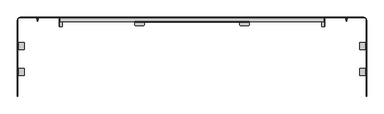
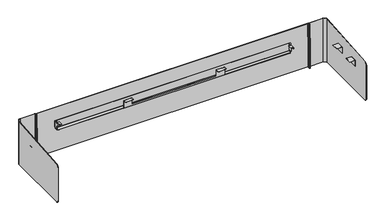
"""IFC4 building model written with IfcOpenShell, lengths in millimetres: furniture geometry."""

from ifc_helpers import new_model, si_unit, point, frame, frame_2d, origin, place, context, project, spatial, polyline, circle_curve, trimmed, segment, composite_curve, outline, extrude, faceted_brep, source, transform, mapped, element, save
from ifc_brep_helpers import plane_surface, cylinder_surface, revolved_surface, advanced_brep


def furniture_8af9d449(model_context):
    return source(origin(), model_context, "Body", "SolidModel", [
        extrude(outline(polyline([(884.8127796, 2128.2801168), (883.3141796, 2128.2801168), (883.3141796, 2145.2641264), (882.2981796, 2146.2801264), (882.2981796, 2147.7791628), (884.8127796, 2145.264599), (884.8127796, 2128.2801168)])), frame((0.0, -38.1141252, 0.0), z_axis=(0.0, 1.0, 0.0), x_axis=(0.0, 0.0, 1.0)), (0.0, 0.0, 1.0), 30.9756022),
        extrude(outline(polyline([(884.8127796, 306.9567361), (884.8127796, 289.9722902), (882.2981796, 287.4577264), (882.2981796, 288.9567265), (883.3141796, 289.9727265), (883.3141796, 306.9567361), (884.8127796, 306.9567361)])), frame((0.0, -38.1141252, 0.0), z_axis=(0.0, 1.0, 0.0), x_axis=(0.0, 0.0, 1.0)), (0.0, 0.0, 1.0), 30.9756022),
        extrude(outline(polyline([(-2.2831232, 882.2981796), (-0.2831232, 884.2982029), (-0.2831232, 892.2982233), (1.7168767, 894.2981739), (8.5668769, 894.2981739), (10.5668764, 892.2982233), (10.5668764, 884.2982029), (12.5668769, 882.2981796), (-2.2831232, 882.2981796)])), frame((2146.2805264, 0.0, 0.0), z_axis=(1.0, 0.0, 0.0), x_axis=(0.0, 1.0, 0.0)), (0.0, 0.0, 1.0), 1.4986),
        extrude(outline(polyline([(-2.2831232, 882.2981796), (-0.2831232, 884.2982029), (-0.2831232, 892.2982233), (1.7168767, 894.2981739), (8.5668769, 894.2981739), (10.5668764, 892.2982233), (10.5668764, 884.2982029), (12.5668769, 882.2981796), (-2.2831232, 882.2981796)])), frame((287.4577264, 0.0, 0.0), z_axis=(1.0, 0.0, 0.0), x_axis=(0.0, 1.0, 0.0)), (0.0, 0.0, 1.0), 1.4986),
        advanced_brep(
        [(2145.2645264, 23.8824818, 882.2981796), (2146.2805264, 22.8664772, 882.2981796), (2146.2805264, -38.1141252, 882.2981796), (2147.7791264, -38.1141252, 882.2981796), (2147.7791264, 22.8668773, 882.2981796), (2145.2645264, 25.3814818, 882.2981796), (2145.2645264, 23.8824818, 831.5421934), (2145.2645264, 25.3814818, 831.5421934), (2147.7791264, 22.8668773, 831.5421934), (2147.7791264, -0.364126, 831.5421934), (2146.2805264, -0.364126, 831.5421934), (2146.2805264, 22.8664772, 831.5421934), (2147.7791264, -38.1141252, 876.2972378), (2147.7791264, -32.1141281, 870.2972406), (2147.7791264, -26.3641225, 870.2972406), (2147.7791264, -6.3641231, 850.2972413), (2147.7791264, -6.3641231, 837.5421905), (2146.2805264, -38.1141252, 876.2972378), (2146.2805264, -6.3641231, 837.5421905), (2146.2805264, -6.3641231, 850.2972413), (2146.2805264, -26.3641225, 870.2972406), (2146.2805264, -32.1141281, 870.2972406)],
        [
            (0, 1),
            (1, 2),
            (2, 3),
            (3, 4),
            (4, 5),
            (5, 0),
            (6, 7),
            (7, 8),
            (8, 9),
            (9, 10),
            (10, 11),
            (11, 6),
            (5, 7),
            (6, 0),
            (4, 8),
            (3, 12),
            (12, 13, circle_curve(frame((2147.7791264, -32.1141281, 876.2972378), z_axis=(1.0, 0.0, 0.0), x_axis=(0.0, 1.0, 0.0)), 5.9999971)),
            (13, 14),
            (14, 15, circle_curve(frame((2147.7791264, -26.3641225, 850.2972413), z_axis=(-1.0, 0.0, 0.0), x_axis=(0.0, 1.0, 0.0)), 19.9999994)),
            (15, 16),
            (16, 9, circle_curve(frame((2147.7791264, -0.364126, 837.5421905), z_axis=(1.0, 0.0, 0.0), x_axis=(0.0, 1.0, 0.0)), 5.9999971)),
            (2, 17),
            (17, 12),
            (1, 11),
            (10, 18, circle_curve(frame((2146.2805264, -0.364126, 837.5421905), z_axis=(-1.0, 0.0, 0.0), x_axis=(0.0, 1.0, 0.0)), 5.9999971)),
            (18, 19),
            (19, 20, circle_curve(frame((2146.2805264, -26.3641225, 850.2972413), z_axis=(1.0, 0.0, 0.0), x_axis=(0.0, 1.0, 0.0)), 19.9999994)),
            (20, 21),
            (21, 17, circle_curve(frame((2146.2805264, -32.1141281, 876.2972378), z_axis=(-1.0, 0.0, 0.0), x_axis=(0.0, 1.0, 0.0)), 5.9999971)),
            (16, 18),
            (15, 19),
            (14, 20),
            (13, 21),
        ],
        [
            plane_surface(frame((2146.2805264, 22.8664772, 882.2981796), z_axis=(0.0, 0.0, 1.0000000000000002), x_axis=(0.7071052068732347, -0.7071083554963553, 0.0))),
            plane_surface(frame((2146.2805264, 22.8664772, 831.5421934), z_axis=(0.0, 0.0, -1.0000000000000002), x_axis=(-0.7071052068732347, 0.7071083554963553, 0.0))),
            plane_surface(frame((2145.2645264, 25.3814818, 882.2981796), z_axis=(-1.0, 0.0, 0.0), x_axis=(0.0, 0.0, -1.0))),
            plane_surface(frame((2147.7791264, 22.8668773, 882.2981796), z_axis=(0.7071074186618014, 0.707106143710719, 0.0), x_axis=(0.0, 0.0, -1.0))),
            plane_surface(frame((2147.7791264, -38.1141252, 882.2981796), z_axis=(1.0, 0.0, 0.0), x_axis=(0.0, 0.0, -1.0))),
            plane_surface(frame((2146.2805264, -38.1141252, 882.2981796), z_axis=(0.0, -1.0, 0.0), x_axis=(0.0, 0.0, -1.0))),
            plane_surface(frame((2146.2805264, 22.8664772, 882.2981796), z_axis=(-1.0, 0.0, 0.0), x_axis=(0.0, 0.0, -1.0))),
            plane_surface(frame((2145.2645264, 23.8824818, 882.2981796), z_axis=(-0.7071083554963553, -0.7071052068732347, 0.0), x_axis=(0.0, 0.0, -1.0))),
            cylinder_surface(frame((2147.7791264, -0.364126, 837.5421905), z_axis=(1.0, 0.0, 0.0), x_axis=(0.0, 1.0, 0.0)), 5.9999971),
            plane_surface(frame((2146.2805264, -6.3641231, 850.2972413), z_axis=(0.0, -1.0, 0.0), x_axis=(1.0, 0.0, 0.0))),
            revolved_surface(polyline([(2146.2805264, -6.3641231000000005, 850.2972413), (2147.7791264, -6.3641231000000005, 850.2972413)]), (2147.7791264, -26.3641225, 850.2972413), (-1.0, 0.0, 0.0)),
            plane_surface(frame((2146.2805264, -32.1141281, 870.2972406), z_axis=(0.0, 0.0, -1.0), x_axis=(1.0, 0.0, 0.0))),
            cylinder_surface(frame((2147.7791264, -32.1141281, 876.2972378), z_axis=(1.0, 0.0, 0.0), x_axis=(0.0, 1.0, 0.0)), 5.9999971),
        ],
        [
            (0, [[1, 2, 3, 4, 5, 6]]),
            (1, [[7, 8, 9, 10, 11, 12]]),
            (2, [[-6, 13, -7, 14]]),
            (3, [[-5, 15, -8, -13]]),
            (4, [[-4, 16, 17, 18, 19, 20, 21, -9, -15]]),
            (5, [[-3, 22, 23, -16]]),
            (6, [[-2, 24, -11, 25, 26, 27, 28, 29, -22]]),
            (7, [[-1, -14, -12, -24]]),
            (8, [[30, -25, -10, -21]]),
            (9, [[-30, -20, 31, -26]]),
            (10, [[-31, -19, 32, -27]]),
            (11, [[-32, -18, 33, -28]]),
            (12, [[-33, -17, -23, -29]]),
        ],
    ),
        advanced_brep(
        [(289.9723264, 23.8824818, 882.2981796), (289.9723264, 25.3814818, 882.2981796), (287.4577264, 22.8668773, 882.2981796), (287.4577264, -38.1141252, 882.2981796), (288.9563264, -38.1141252, 882.2981796), (288.9563264, 22.8664772, 882.2981796), (289.9723264, 23.8824818, 831.5421934), (288.9563264, 22.8664772, 831.5421934), (288.9563264, -0.364126, 831.5421934), (287.4577264, -0.364126, 831.5421934), (287.4577264, 22.8668773, 831.5421934), (289.9723264, 25.3814818, 831.5421934), (287.4577264, -6.3641231, 837.5421905), (287.4577264, -6.3641231, 850.2972413), (287.4577264, -26.3641225, 870.2972406), (287.4577264, -32.1141281, 870.2972406), (287.4577264, -38.1141252, 876.2972378), (288.9563264, -38.1141252, 876.2972378), (288.9563264, -32.1141281, 870.2972406), (288.9563264, -26.3641225, 870.2972406), (288.9563264, -6.3641231, 850.2972413), (288.9563264, -6.3641231, 837.5421905)],
        [
            (0, 1),
            (1, 2),
            (2, 3),
            (3, 4),
            (4, 5),
            (5, 0),
            (6, 7),
            (7, 8),
            (8, 9),
            (9, 10),
            (10, 11),
            (11, 6),
            (0, 6),
            (11, 1),
            (10, 2),
            (9, 12, circle_curve(frame((287.4577264, -0.364126, 837.5421905), z_axis=(-1.0, 0.0, 0.0), x_axis=(0.0, 1.0, 0.0)), 5.9999971)),
            (12, 13),
            (13, 14, circle_curve(frame((287.4577264, -26.3641225, 850.2972413), z_axis=(1.0, 0.0, 0.0), x_axis=(0.0, 1.0, 0.0)), 19.9999994)),
            (14, 15),
            (15, 16, circle_curve(frame((287.4577264, -32.1141281, 876.2972378), z_axis=(-1.0, 0.0, 0.0), x_axis=(0.0, 1.0, 0.0)), 5.9999971)),
            (16, 3),
            (16, 17),
            (17, 4),
            (17, 18, circle_curve(frame((288.9563264, -32.1141281, 876.2972378), z_axis=(1.0, 0.0, 0.0), x_axis=(0.0, 1.0, 0.0)), 5.9999971)),
            (18, 19),
            (19, 20, circle_curve(frame((288.9563264, -26.3641225, 850.2972413), z_axis=(-1.0, 0.0, 0.0), x_axis=(0.0, 1.0, 0.0)), 19.9999994)),
            (20, 21),
            (21, 8, circle_curve(frame((288.9563264, -0.364126, 837.5421905), z_axis=(1.0, 0.0, 0.0), x_axis=(0.0, 1.0, 0.0)), 5.9999971)),
            (7, 5),
            (21, 12),
            (20, 13),
            (19, 14),
            (18, 15),
        ],
        [
            plane_surface(frame((289.9723264, 1549.3858778, 882.2981796), z_axis=(0.0, 0.0, 1.0), x_axis=(0.0, 1.0, 0.0))),
            plane_surface(frame((289.9723264, 1549.3858778, 831.5421934), z_axis=(0.0, 0.0, -1.0), x_axis=(0.0, -1.0, 0.0))),
            plane_surface(frame((289.9723264, 23.8824818, 882.2981796), z_axis=(1.0, 0.0, 0.0), x_axis=(0.0, 0.0, -1.0))),
            plane_surface(frame((289.9723264, 25.3814818, 882.2981796), z_axis=(-0.7071074186619913, 0.707106143710529, 0.0), x_axis=(0.0, 0.0, -1.0))),
            plane_surface(frame((287.4577264, 22.8668773, 882.2981796), z_axis=(-1.0, 0.0, 0.0), x_axis=(0.0, 0.0, -1.0))),
            plane_surface(frame((287.4577264, -38.1141252, 882.2981796), z_axis=(0.0, -1.0, 0.0), x_axis=(0.0, 0.0, -1.0))),
            plane_surface(frame((288.9563264, -38.1141252, 882.2981796), z_axis=(1.0, 0.0, 0.0), x_axis=(0.0, 0.0, -1.0))),
            plane_surface(frame((288.9563264, 22.8664772, 882.2981796), z_axis=(0.7071083554963622, -0.7071052068732279, 0.0), x_axis=(0.0, 0.0, -1.0))),
            cylinder_surface(frame((287.4577264, -0.364126, 837.5421905), z_axis=(-1.0, 0.0, 0.0), x_axis=(0.0, 1.0, 0.0)), 5.9999971),
            plane_surface(frame((288.9567265, -6.3641231, 837.5421905), z_axis=(0.0, -1.0, 0.0), x_axis=(-1.0, 0.0, 0.0))),
            revolved_surface(polyline([(288.9563264, -6.3641231000000005, 850.2972413), (287.4577264, -6.3641231000000005, 850.2972413)]), (287.4577264, -26.3641225, 850.2972413), (1.0, 0.0, 0.0)),
            plane_surface(frame((288.9567265, -26.3641225, 870.2972406), z_axis=(0.0, 0.0, -1.0), x_axis=(-1.0, 0.0, 0.0))),
            cylinder_surface(frame((287.4577264, -32.1141281, 876.2972378), z_axis=(-1.0, 0.0, 0.0), x_axis=(0.0, 1.0, 0.0)), 5.9999971),
        ],
        [
            (0, [[1, 2, 3, 4, 5, 6]]),
            (1, [[7, 8, 9, 10, 11, 12]]),
            (2, [[-1, 13, -12, 14]]),
            (3, [[-2, -14, -11, 15]]),
            (4, [[-3, -15, -10, 16, 17, 18, 19, 20, 21]]),
            (5, [[-4, -21, 22, 23]]),
            (6, [[-5, -23, 24, 25, 26, 27, 28, -8, 29]]),
            (7, [[-6, -29, -7, -13]]),
            (8, [[30, -16, -9, -28]]),
            (9, [[-30, -27, 31, -17]]),
            (10, [[-31, -26, 32, -18]]),
            (11, [[-32, -25, 33, -19]]),
            (12, [[-33, -24, -22, -20]]),
        ],
    ),
        faceted_brep([(1618.2907264, -4.0651231, 820.9971975), (1618.2907264, -4.8651231, 821.7972214), (1618.2907264, -4.8651231, 882.5182243), (1618.2907264, -7.1596908, 884.8127796), (1618.2907264, -27.2651599, 884.8127796), (1618.2907264, -27.2651599, 883.3141796), (1618.2907264, -7.160127, 883.3141796), (1618.2907264, -6.3641231, 882.5182243), (1618.2907264, -6.3641231, 821.7972214), (1618.2907264, -4.0651231, 819.4982338), (816.9461264, -4.0651231, 820.9971975), (816.9461264, -4.0651231, 819.4982338), (816.9461264, -6.3641231, 821.7972214), (816.9461264, -6.3641231, 882.5182243), (816.9461264, -7.160127, 883.3141796), (816.9461264, -27.2651236, 883.3141796), (816.9461264, -27.2651236, 884.8127796), (816.9461264, -7.1596908, 884.8127796), (816.9461264, -4.8651231, 882.5182243), (816.9461264, -4.8651231, 821.7972214), (881.9461197, -4.8651231, 882.5182243), (881.9461197, -4.8651231, 839.2991327), (887.9470615, -4.8651231, 833.2981909), (1547.2897914, -4.8651231, 833.2981909), (1553.2907332, -4.8651231, 839.2991327), (1553.2907332, -4.8651231, 882.5182243), (1553.2907332, -7.1596908, 884.8127796), (881.9461197, -7.1596908, 884.8127796), (1553.2907332, -27.2651236, 884.8127796), (1556.2781689, -30.2525231, 884.8127796), (1615.3033271, -30.2525231, 884.8127796), (819.9335259, -30.2525231, 884.8127796), (878.9587201, -30.2525231, 884.8127796), (881.9461197, -27.2651236, 884.8127796), (1615.3033271, -30.2525231, 883.3141796), (1556.2781689, -30.2525231, 883.3141796), (1553.2907332, -27.2651236, 883.3141796), (1553.2907332, -7.160127, 883.3141796), (881.9461197, -7.160127, 883.3141796), (881.9461197, -27.2651236, 883.3141796), (878.9587201, -30.2525231, 883.3141796), (819.9335259, -30.2525231, 883.3141796), (1553.2907332, -6.3641231, 882.5182243), (881.9461197, -6.3641231, 882.5182243), (1553.2907332, -6.3641231, 839.2991327), (1547.2897914, -6.3641231, 833.2981909), (887.9470615, -6.3641231, 833.2981909), (881.9461197, -6.3641231, 839.2991327)], [[[0, 1, 2, 3, 4, 5, 6, 7, 8, 9]], [[10, 11, 12, 13, 14, 15, 16, 17, 18, 19]], [[1, 0, 10, 19]], [[2, 1, 19, 18, 20, 21, 22, 23, 24, 25]], [[3, 2, 25, 26]], [[18, 17, 27, 20]], [[4, 3, 26, 28, 29, 30]], [[17, 16, 31, 32, 33, 27]], [[6, 5, 34, 35, 36, 37]], [[15, 14, 38, 39, 40, 41]], [[7, 6, 37, 42]], [[14, 13, 43, 38]], [[8, 7, 42, 44, 45, 46, 47, 43, 13, 12]], [[9, 8, 12, 11]], [[0, 9, 11, 10]], [[30, 34, 5, 4]], [[34, 30, 29, 35]], [[35, 29, 28, 36]], [[36, 28, 26, 25, 24, 44, 42, 37]], [[33, 39, 38, 43, 47, 21, 20, 27]], [[39, 33, 32, 40]], [[40, 32, 31, 41]], [[41, 31, 16, 15]], [[21, 47, 46, 22]], [[22, 46, 45, 23]], [[44, 24, 23, 45]]]),
        advanced_brep(
        [(2145.2645264, 25.3858778, 882.2981796), (2145.2645264, 23.8872778, 882.2981796), (2145.2645264, 23.8872778, 831.5436774), (2145.2645264, 25.3858778, 831.5436774), (289.9723264, 23.8872778, 882.2981796), (289.9723264, 25.3858778, 882.2981796), (289.9723264, 25.3858778, 831.5436774), (289.9723264, 23.8872778, 831.5436774), (2137.7791346, -4.0651231, 820.9971975), (297.4577183, -4.0651231, 820.9971975), (297.4577183, -4.0651231, 819.4982338), (2137.7791346, -4.0651231, 819.4982338), (291.4577185, 22.8668773, 819.4982338), (2143.7791344, 22.8668773, 819.4982338), (2143.7791344, 1.9348768, 819.4982338), (291.4577185, 1.9348768, 819.4982338), (291.4577185, 25.3858778, 822.0171934), (2143.7791344, 25.3858778, 822.0171934), (2143.7791344, 25.3858778, 831.0422239), (291.4577185, 25.3858778, 831.0422239), (291.4577185, 23.8872778, 831.0422239), (291.4577185, 23.8872778, 822.0175935), (2143.7791344, 23.8872778, 822.0175935), (2143.7791344, 23.8872778, 831.0422239), (291.4577185, 22.8668773, 820.9971975), (2143.7791344, 22.8668773, 820.9971975), (291.4577185, 1.9348768, 820.9971975), (2143.7791344, 1.9348768, 820.9971975)],
        [
            (0, 1),
            (1, 2),
            (2, 3),
            (3, 0),
            (4, 5),
            (5, 6),
            (6, 7),
            (7, 4),
            (8, 9),
            (9, 10),
            (10, 11),
            (11, 8),
            (12, 13),
            (13, 14),
            (14, 11, circle_curve(frame((2137.7791346, 1.9348768, 819.4982338), z_axis=(0.0, 0.0, -1.0), x_axis=(1.0, 0.0, 0.0)), 5.9999998)),
            (10, 15, circle_curve(frame((297.4577183, 1.9348768, 819.4982338), z_axis=(0.0, 0.0, -1.0), x_axis=(1.0, 0.0, 0.0)), 5.9999998)),
            (15, 12),
            (12, 16),
            (16, 17),
            (17, 13),
            (5, 0),
            (3, 18),
            (18, 17),
            (16, 19),
            (19, 6),
            (4, 1),
            (7, 20),
            (20, 21),
            (21, 22),
            (22, 23),
            (23, 2),
            (21, 24),
            (24, 25),
            (25, 22),
            (24, 26),
            (26, 9, circle_curve(frame((297.4577183, 1.9348768, 820.9971975), z_axis=(0.0, 0.0, 1.0), x_axis=(1.0, 0.0, 0.0)), 5.9999998)),
            (8, 27, circle_curve(frame((2137.7791346, 1.9348768, 820.9971975), z_axis=(0.0, 0.0, 1.0), x_axis=(1.0, 0.0, 0.0)), 5.9999998)),
            (27, 25),
            (20, 19),
            (15, 26),
            (23, 18),
            (27, 14),
        ],
        [
            plane_surface(frame((2145.2645264, -4.0651231, -304.7923704), z_axis=(1.0, 0.0, 0.0), x_axis=(0.0, 0.0, -1.0))),
            plane_surface(frame((289.9723264, -4.0651231, -304.7923704), z_axis=(-1.0, 0.0, 0.0), x_axis=(0.0, 0.0, 1.0))),
            plane_surface(frame((2145.2645264, -4.0651231, 820.9971975), z_axis=(0.0, -1.0, 0.0), x_axis=(-1.0, 0.0, 0.0))),
            plane_surface(frame((2145.2645264, -4.0651231, 819.4982338), z_axis=(0.0, 0.0, -1.0), x_axis=(-1.0, 0.0, 0.0))),
            plane_surface(frame((2145.2645264, 22.8668773, 819.4982338), z_axis=(0.0, 0.7071010438592774, -0.7071125184672666), x_axis=(-1.0, 0.0, 0.0))),
            plane_surface(frame((2145.2645264, 25.3858778, 822.0171934), z_axis=(0.0, 1.0, 0.0), x_axis=(-1.0, 0.0, 0.0))),
            plane_surface(frame((2145.2645264, 25.3858778, 882.2981796), z_axis=(0.0, 0.0, 1.0), x_axis=(-1.0, 0.0, 0.0))),
            plane_surface(frame((2145.2645264, 23.8872778, 882.2981796), z_axis=(0.0, -1.0, 0.0), x_axis=(-1.0, 0.0, 0.0))),
            plane_surface(frame((2145.2645264, 23.8872778, 822.0175935), z_axis=(0.0, -0.7071052068731417, 0.7071083554964483), x_axis=(-1.0, 0.0, 0.0))),
            plane_surface(frame((2145.2645264, 22.8668773, 820.9971975), z_axis=(0.0, 0.0, 1.0), x_axis=(-1.0, 0.0, 0.0))),
            plane_surface(frame((291.4577185, -38.1141252, 819.4982338), z_axis=(-1.0, 0.0, 0.0), x_axis=(0.0, 1.0, 0.0))),
            plane_surface(frame((291.4577185, -38.1141252, 831.0422239), z_axis=(-0.31985520356193803, 0.0, -0.9474664367429336), x_axis=(0.0, 1.0, 0.0))),
            plane_surface(frame((2145.2645264, -38.1141252, 831.5436774), z_axis=(0.31985520356126146, 0.0, -0.947466436743162), x_axis=(0.0, 1.0, 0.0))),
            plane_surface(frame((2143.7791344, -38.1141252, 831.0422239), z_axis=(1.0, 0.0, 0.0), x_axis=(0.0, 1.0, 0.0))),
            cylinder_surface(frame((297.4577183, 1.9348768, 794.9237614), z_axis=(0.0, 0.0, -1.0), x_axis=(1.0, 0.0, 0.0)), 5.9999998),
            cylinder_surface(frame((2137.7791346, 1.9348768, 0.0076296), z_axis=(0.0, 0.0, -1.0), x_axis=(1.0, 0.0, 0.0)), 5.9999998),
        ],
        [
            (0, [[1, 2, 3, 4]]),
            (1, [[5, 6, 7, 8]]),
            (2, [[9, 10, 11, 12]]),
            (3, [[13, 14, 15, -11, 16, 17]]),
            (4, [[-13, 18, 19, 20]]),
            (5, [[21, -4, 22, 23, -19, 24, 25, -6]]),
            (6, [[-1, -21, -5, 26]]),
            (7, [[-26, -8, 27, 28, 29, 30, 31, -2]]),
            (8, [[-29, 32, 33, 34]]),
            (9, [[-33, 35, 36, -9, 37, 38]]),
            (10, [[39, -24, -18, -17, 40, -35, -32, -28]]),
            (11, [[-39, -27, -7, -25]]),
            (12, [[41, -22, -3, -31]]),
            (13, [[-41, -30, -34, -38, 42, -14, -20, -23]]),
            (14, [[-10, -36, -40, -16]]),
            (15, [[-12, -15, -42, -37]]),
        ],
    ),
        advanced_brep(
        [(2298.66269, 7.8348773, 630.3661735), (2300.1745203, 7.8348773, 630.3661735), (2300.1745203, 1.4732, 636.7278508), (2298.66269, 1.4732, 636.7278508), (2300.1745203, 7.8514406, 883.5972282), (2298.66269, 7.8514406, 883.5972282), (2298.66269, 1.4732, 877.2189877), (2300.1745203, 1.4732, 877.2189877), (2300.1745203, 13.9997677, 883.5972282), (2298.66269, 13.9997677, 883.5972282), (2300.1745203, 13.9997677, 992.4620903), (2298.66269, 13.9997677, 992.4620903), (2300.1745203, 15.1348774, 993.5972), (2298.66269, 15.1348774, 993.5972), (137.3117556, 26.8844778, 993.5972), (135.0627225, 24.6354447, 993.5972), (135.0627225, 15.1348774, 993.5972), (136.5627218, 15.1348774, 993.5972), (136.5627218, 24.6348767, 993.5972), (137.3137229, 25.3858778, 993.5972), (2297.9127903, 25.3858778, 993.5972), (2298.66269, 24.6359781, 993.5972), (2300.1745203, 24.6237137, 993.5972), (2297.9137562, 26.8844778, 993.5972), (137.3117556, 26.8844778, 630.3661735), (2297.9137562, 26.8844778, 630.3661735), (2300.1745203, 24.6237137, 630.3661735), (2298.66269, 24.6359781, 630.3661735), (2297.9127903, 25.3858778, 630.3661735), (137.3137229, 25.3858778, 630.3661735), (136.5627218, 24.6348767, 630.3661735), (136.5627218, 7.8348773, 630.3661735), (135.0627225, 7.8348773, 630.3661735), (135.0627225, 24.6354447, 630.3661735), (135.0627225, 1.4732, 636.7278508), (135.0627225, 1.4732, 877.2189877), (135.0627225, 7.8514406, 883.5972282), (135.0627225, 13.9997677, 883.5972282), (135.0627225, 13.9997677, 992.4620903), (136.5627218, 1.4732, 636.7278508), (136.5627218, 1.4732, 877.2189877), (136.5627218, 13.9997677, 992.4620903), (136.5627218, 13.9997677, 883.5972282), (136.5627218, 7.8514406, 883.5972282)],
        [
            (0, 1),
            (1, 2, circle_curve(frame((2300.1745203, 7.8348773, 636.7278508), z_axis=(-1.0, 0.0, 0.0), x_axis=(0.0, 1.0, 0.0)), 6.3616773)),
            (2, 3),
            (3, 0, circle_curve(frame((2298.66269, 7.8348773, 636.7278508), z_axis=(1.0, 0.0, 0.0), x_axis=(0.0, 1.0, 0.0)), 6.3616773)),
            (4, 5),
            (5, 6, circle_curve(frame((2298.66269, 7.8514406, 877.2189877), z_axis=(1.0, 0.0, 0.0), x_axis=(0.0, 1.0, 0.0)), 6.3782406)),
            (6, 7),
            (7, 4, circle_curve(frame((2300.1745203, 7.8514406, 877.2189877), z_axis=(-1.0, 0.0, 0.0), x_axis=(0.0, 1.0, 0.0)), 6.3782406)),
            (4, 8),
            (8, 9),
            (9, 5),
            (8, 10),
            (10, 11),
            (11, 9),
            (10, 12, circle_curve(frame((2300.1745203, 15.1348774, 992.4620903), z_axis=(-1.0, 0.0, 0.0), x_axis=(0.0, 1.0, 0.0)), 1.1351097)),
            (12, 13),
            (13, 11, circle_curve(frame((2298.66269, 15.1348774, 992.4620903), z_axis=(1.0, 0.0, 0.0), x_axis=(0.0, 1.0, 0.0)), 1.1351097)),
            (14, 15, circle_curve(frame((137.3117556, 24.6354447, 993.5972), z_axis=(0.0, 0.0, 1.0), x_axis=(1.0, 0.0, 0.0)), 2.2490331)),
            (15, 16),
            (16, 17),
            (17, 18),
            (18, 19, circle_curve(frame((137.3137229, 24.6348767, 993.5972), z_axis=(0.0, 0.0, -1.0), x_axis=(1.0, 0.0, 0.0)), 0.7510011)),
            (19, 20),
            (20, 21, circle_curve(frame((2297.9127903, 24.6359781, 993.5972), z_axis=(0.0, 0.0, -1.0), x_axis=(1.0, 0.0, 0.0)), 0.7498997)),
            (21, 13),
            (12, 22),
            (22, 23, circle_curve(frame((2297.9137562, 24.6237137, 993.5972), z_axis=(0.0, 0.0, 1.0), x_axis=(1.0, 0.0, 0.0)), 2.2607641)),
            (23, 14),
            (24, 25),
            (25, 26, circle_curve(frame((2297.9137562, 24.6237137, 630.3661735), z_axis=(0.0, 0.0, -1.0), x_axis=(1.0, 0.0, 0.0)), 2.2607641)),
            (26, 1),
            (0, 27),
            (27, 28, circle_curve(frame((2297.9127903, 24.6359781, 630.3661735), z_axis=(0.0, 0.0, 1.0), x_axis=(1.0, 0.0, 0.0)), 0.7498997)),
            (28, 29),
            (29, 30, circle_curve(frame((137.3137229, 24.6348767, 630.3661735), z_axis=(0.0, 0.0, 1.0), x_axis=(1.0, 0.0, 0.0)), 0.7510011)),
            (30, 31),
            (31, 32),
            (32, 33),
            (33, 24, circle_curve(frame((137.3117556, 24.6354447, 630.3661735), z_axis=(0.0, 0.0, -1.0), x_axis=(1.0, 0.0, 0.0)), 2.2490331)),
            (14, 24),
            (33, 15),
            (32, 34, circle_curve(frame((135.0627225, 7.8348773, 636.7278508), z_axis=(-1.0, 0.0, 0.0), x_axis=(0.0, 1.0, 0.0)), 6.3616773)),
            (34, 35),
            (35, 36, circle_curve(frame((135.0627225, 7.8514406, 877.2189877), z_axis=(-1.0, 0.0, 0.0), x_axis=(0.0, 1.0, 0.0)), 6.3782406)),
            (36, 37),
            (37, 38),
            (38, 16, circle_curve(frame((135.0627225, 15.1348774, 992.4620903), z_axis=(-1.0, 0.0, 0.0), x_axis=(0.0, 1.0, 0.0)), 1.1351097)),
            (34, 39),
            (39, 40),
            (40, 35),
            (30, 18),
            (17, 41, circle_curve(frame((136.5627218, 15.1348774, 992.4620903), z_axis=(1.0, 0.0, 0.0), x_axis=(0.0, 1.0, 0.0)), 1.1351097)),
            (41, 42),
            (42, 43),
            (43, 40, circle_curve(frame((136.5627218, 7.8514406, 877.2189877), z_axis=(1.0, 0.0, 0.0), x_axis=(0.0, 1.0, 0.0)), 6.3782406)),
            (39, 31, circle_curve(frame((136.5627218, 7.8348773, 636.7278508), z_axis=(1.0, 0.0, 0.0), x_axis=(0.0, 1.0, 0.0)), 6.3616773)),
            (29, 19),
            (28, 20),
            (27, 21),
            (3, 6),
            (2, 7),
            (26, 22),
            (25, 23),
            (43, 36),
            (42, 37),
            (41, 38),
        ],
        [
            cylinder_surface(frame((2301.6626886, 7.8348773, 636.7278508), z_axis=(1.0, 0.0, 0.0), x_axis=(0.0, 1.0, 0.0)), 6.3616773),
            cylinder_surface(frame((1520.8254118, 7.8514406, 877.2189877), z_axis=(1.0, 0.0, 0.0), x_axis=(0.0, 1.0, 0.0)), 6.3782406),
            plane_surface(frame((2298.66269, 13.9997677, 883.5972282), z_axis=(0.0, 0.0, 1.0), x_axis=(1.0, 0.0, 0.0))),
            plane_surface(frame((2298.66269, 13.9997677, 992.4620903), z_axis=(0.0, -1.0, 0.0), x_axis=(1.0, 0.0, 0.0))),
            cylinder_surface(frame((1520.8254118, 15.1348774, 992.4620903), z_axis=(1.0, 0.0, 0.0), x_axis=(0.0, 1.0, 0.0)), 1.1351097),
            plane_surface(frame((139.5607886, 24.6354447, 993.5972), z_axis=(0.0, 0.0, 1.0), x_axis=(0.0, 1.0, 0.0))),
            plane_surface(frame((139.5607886, 24.6354447, 630.3661735), z_axis=(0.0, 0.0, -1.0), x_axis=(0.0, -1.0, 0.0))),
            cylinder_surface(frame((137.3117556, 24.6354447, 630.3661735), z_axis=(0.0, 0.0, 1.0), x_axis=(1.0, 0.0, 0.0)), 2.2490331),
            plane_surface(frame((135.0627225, 24.6354447, 993.5972), z_axis=(-1.0, 0.0, 0.0), x_axis=(0.0, 0.0, -1.0))),
            plane_surface(frame((135.0627225, 1.4732, 993.5972), z_axis=(0.0, -1.0, 0.0), x_axis=(0.0, 0.0, -1.0))),
            plane_surface(frame((136.5627218, 1.4732, 993.5972), z_axis=(1.0, 0.0, 0.0), x_axis=(0.0, 0.0, -1.0))),
            revolved_surface(polyline([(138.06472399999998, 24.6348767, 630.3661735), (138.06472399999998, 24.6348767, 993.5972)]), (137.3137229, 24.6348767, 630.3661735), (0.0, 0.0, -1.0)),
            plane_surface(frame((137.3137229, 25.3858778, 993.5972), z_axis=(0.0, -1.0, 0.0), x_axis=(0.0, 0.0, -1.0))),
            revolved_surface(polyline([(2298.6626899999997, 24.6359781, 630.3661735), (2298.6626899999997, 24.6359781, 993.5972)]), (2297.9127903, 24.6359781, 630.3661735), (0.0, 0.0, -1.0)),
            plane_surface(frame((2298.66269, 24.6359781, 993.5972), z_axis=(-1.0, 0.0, 0.0), x_axis=(0.0, 0.0, -1.0))),
            plane_surface(frame((2298.66269, 1.4732, 993.5972), z_axis=(0.0, -1.0, 0.0), x_axis=(0.0, 0.0, -1.0))),
            plane_surface(frame((2300.1745203, 1.4732, 993.5972), z_axis=(1.0, 0.0, 0.0), x_axis=(0.0, 0.0, -1.0))),
            cylinder_surface(frame((2297.9137562, 24.6237137, 630.3661735), z_axis=(0.0, 0.0, 1.0), x_axis=(1.0, 0.0, 0.0)), 2.2607641),
            plane_surface(frame((2297.9137562, 26.8844778, 993.5972), z_axis=(0.0, 1.0, 0.0), x_axis=(0.0, 0.0, -1.0))),
            cylinder_surface(frame((133.5637224, 7.8348773, 636.7278508), z_axis=(-1.0, 0.0, 0.0), x_axis=(0.0, 1.0, 0.0)), 6.3616773),
            cylinder_surface(frame((0.0, 7.8514406, 877.2189877), z_axis=(-1.0, 0.0, 0.0), x_axis=(0.0, 1.0, 0.0)), 6.3782406),
            plane_surface(frame((136.5627218, 7.8514406, 883.5972282), z_axis=(0.0, 0.0, 1.0), x_axis=(-1.0, 0.0, 0.0))),
            plane_surface(frame((136.5627218, 13.9997677, 883.5972282), z_axis=(0.0, -1.0, 0.0), x_axis=(-1.0, 0.0, 0.0))),
            cylinder_surface(frame((0.0, 15.1348774, 992.4620903), z_axis=(-1.0, 0.0, 0.0), x_axis=(0.0, 1.0, 0.0)), 1.1351097),
        ],
        [
            (0, [[1, 2, 3, 4]]),
            (1, [[5, 6, 7, 8]]),
            (2, [[-5, 9, 10, 11]]),
            (3, [[-10, 12, 13, 14]]),
            (4, [[-13, 15, 16, 17]]),
            (5, [[18, 19, 20, 21, 22, 23, 24, 25, -16, 26, 27, 28]]),
            (6, [[29, 30, 31, -1, 32, 33, 34, 35, 36, 37, 38, 39]]),
            (7, [[-18, 40, -39, 41]]),
            (8, [[-41, -38, 42, 43, 44, 45, 46, 47, -19]]),
            (9, [[-43, 48, 49, 50]]),
            (10, [[51, -21, 52, 53, 54, 55, -49, 56, -36]]),
            (11, [[-22, -51, -35, 57]]),
            (12, [[-23, -57, -34, 58]]),
            (13, [[-24, -58, -33, 59]]),
            (14, [[-59, -32, -4, 60, -6, -11, -14, -17, -25]]),
            (15, [[-60, -3, 61, -7]]),
            (16, [[62, -26, -15, -12, -9, -8, -61, -2, -31]]),
            (17, [[-27, -62, -30, 63]]),
            (18, [[-28, -63, -29, -40]]),
            (19, [[-37, -56, -48, -42]]),
            (20, [[64, -44, -50, -55]]),
            (21, [[-64, -54, 65, -45]]),
            (22, [[-65, -53, 66, -46]]),
            (23, [[-66, -52, -20, -47]]),
        ],
    ),
        extrude(outline(composite_curve([segment(polyline([(2304.9302849, 24.1624786), (2304.9302849, 15.6580193)]), True, "CONTINUOUS"), segment(trimmed(circle_curve(frame_2d((2300.181688, 15.6580193)), 4.7485969), [point((2304.9302849, 15.6580193))], [point((2295.433091, 15.6580193))], False, "CARTESIAN"), True, "CONTINUOUS"), segment(polyline([(2295.433091, 15.6580193), (2295.433091, 24.1624786)]), True, "CONTINUOUS"), segment(trimmed(circle_curve(frame_2d((2296.4278902, 24.1624786)), 0.9947992), [point((2295.433091, 24.1624786))], [point((2296.4278902, 25.1572778))], False, "CARTESIAN"), True, "CONTINUOUS"), segment(polyline([(2296.4278902, 25.1572778), (2297.8686887, 25.1572778)]), True, "CONTINUOUS"), segment(trimmed(circle_curve(frame_2d((2297.5966683, 24.4098776)), 0.7953629), [point((2297.8686887, 25.1572778))], [point((2297.8686887, 23.6624774))], False, "CARTESIAN"), True, "CONTINUOUS"), segment(trimmed(circle_curve(frame_2d((2297.9436765, 22.5730981)), 1.0919571), [point((2297.8686887, 23.6624774))], [point((2296.931691, 22.9832878))], True, "CARTESIAN"), True, "CONTINUOUS"), segment(polyline([(2296.931691, 22.9832878), (2296.931691, 15.6624774)]), True, "CONTINUOUS"), segment(trimmed(circle_curve(frame_2d((2300.181688, 15.6624774)), 3.2499969), [point((2296.931691, 15.6624774))], [point((2303.4316849, 15.6624774))], True, "CARTESIAN"), True, "CONTINUOUS"), segment(polyline([(2303.4316849, 15.6624774), (2303.4316849, 22.872942)]), True, "CONTINUOUS"), segment(trimmed(circle_curve(frame_2d((2302.3817021, 22.5730981)), 1.0919571), [point((2303.4316849, 22.872942))], [point((2302.4566899, 23.6624774))], True, "CARTESIAN"), True, "CONTINUOUS"), segment(trimmed(circle_curve(frame_2d((2302.7287103, 24.4098776)), 0.7953629), [point((2302.4566899, 23.6624774))], [point((2302.4566899, 25.1572778))], False, "CARTESIAN"), True, "CONTINUOUS"), segment(polyline([(2302.4566899, 25.1572778), (2303.9354857, 25.1572778)]), True, "CONTINUOUS"), segment(trimmed(circle_curve(frame_2d((2303.9354857, 24.1624786)), 0.9947992), [point((2303.9354857, 25.1572778))], [point((2304.9302849, 24.1624786))], False, "CARTESIAN"), True, "CONTINUOUS")], self_intersect=False)), frame((0.0, 0.0, 883.6082741), z_axis=(0.0, 0.0, 1.0), x_axis=(1.0, 0.0, 0.0)), (0.0, 0.0, 1.0), 109.9889259),
        extrude(outline(composite_curve([segment(trimmed(circle_curve(frame_2d((131.2899261, 24.1624786)), 0.9947992), [point((130.2951269, 24.1624786))], [point((131.2899261, 25.1572778))], False, "CARTESIAN"), True, "CONTINUOUS"), segment(polyline([(131.2899261, 25.1572778), (132.7687219, 25.1572778)]), True, "CONTINUOUS"), segment(trimmed(circle_curve(frame_2d((132.4967015, 24.4098776)), 0.7953629), [point((132.7687219, 25.1572778))], [point((132.7687219, 23.6624774))], False, "CARTESIAN"), True, "CONTINUOUS"), segment(trimmed(circle_curve(frame_2d((132.8437097, 22.5730981)), 1.0919571), [point((132.7687219, 23.6624774))], [point((131.7937269, 22.872942))], True, "CARTESIAN"), True, "CONTINUOUS"), segment(polyline([(131.7937269, 22.872942), (131.7937269, 15.6624774)]), True, "CONTINUOUS"), segment(trimmed(circle_curve(frame_2d((135.0437238, 15.6624774)), 3.2499969), [point((131.7937269, 15.6624774))], [point((138.2937208, 15.6624774))], True, "CARTESIAN"), True, "CONTINUOUS"), segment(polyline([(138.2937208, 15.6624774), (138.2937208, 22.9832878)]), True, "CONTINUOUS"), segment(trimmed(circle_curve(frame_2d((137.2817353, 22.5730981)), 1.0919571), [point((138.2937208, 22.9832878))], [point((137.3567231, 23.6624774))], True, "CARTESIAN"), True, "CONTINUOUS"), segment(trimmed(circle_curve(frame_2d((137.6287435, 24.4098776)), 0.7953629), [point((137.3567231, 23.6624774))], [point((137.3567231, 25.1572778))], False, "CARTESIAN"), True, "CONTINUOUS"), segment(polyline([(137.3567231, 25.1572778), (138.8355189, 25.1572778)]), True, "CONTINUOUS"), segment(trimmed(circle_curve(frame_2d((138.8355189, 24.1624786)), 0.9947992), [point((138.8355189, 25.1572778))], [point((139.8303181, 24.1624786))], False, "CARTESIAN"), True, "CONTINUOUS"), segment(polyline([(139.8303181, 24.1624786), (139.8303181, 15.6580193)]), True, "CONTINUOUS"), segment(trimmed(circle_curve(frame_2d((135.0627225, 15.6580193)), 4.7675956), [point((139.8303181, 15.6580193))], [point((130.2951269, 15.6580193))], False, "CARTESIAN"), True, "CONTINUOUS"), segment(polyline([(130.2951269, 15.6580193), (130.2951269, 24.1624786)]), True, "CONTINUOUS")], self_intersect=False)), frame((0.0, 0.0, 883.6082741), z_axis=(0.0, 0.0, 1.0), x_axis=(1.0, 0.0, 0.0)), (0.0, 0.0, 1.0), 109.9889259),
        advanced_brep(
        [(2301.6626886, 24.6358782, 993.5972), (2302.4126882, 25.3858778, 993.5972), (2421.1860467, 25.3858778, 993.5972), (2440.2360467, 6.3358778, 993.5972), (2441.7310233, 6.3358778, 993.5972), (2421.1824233, 26.8844778, 993.5972), (2302.4235533, 26.8844778, 993.5972), (2300.1745203, 24.6354447, 993.5972), (2300.1745203, 15.1348774, 993.5972), (2301.6626886, 15.1348774, 993.5972), (2300.1745203, 24.6354447, 630.3661735), (2302.4235533, 26.8844778, 630.3661735), (2421.1824233, 26.8844778, 630.3661735), (2441.7310233, 6.3358778, 630.3661735), (2441.7310233, -510.6851074, 630.3661735), (2440.2360467, -510.6851074, 630.3661735), (2440.2360467, 6.3358778, 630.3661735), (2421.1860467, 25.3858778, 630.3661735), (2302.4126882, 25.3858778, 630.3661735), (2301.6626886, 24.6358782, 630.3661735), (2301.6626886, 7.8348773, 630.3661735), (2300.1745203, 7.8348773, 630.3661735), (2300.1745203, 1.4732, 877.2189877), (2300.1745203, 1.4732, 636.7278508), (2301.6626886, 1.4732, 636.7278508), (2301.6626886, 1.4732, 877.2189877), (2300.1745203, 7.8514406, 883.5972282), (2300.1745203, 13.9997677, 883.5972282), (2300.1745203, 13.9997677, 992.4620903), (2441.7310233, -512.4282423, 948.2112348), (2441.7310233, -530.6851221, 928.2873473), (2441.7310233, -530.6851221, 650.3661882), (2440.2360467, -530.6851221, 928.2873473), (2440.2360467, -530.6851221, 650.3661882), (2440.2360467, -512.4282423, 948.2112348), (2301.6626886, 13.9997677, 992.4620903), (2301.6626886, 13.9997677, 883.5972282), (2301.6626886, 7.8514406, 883.5972282)],
        [
            (0, 1, circle_curve(frame((2302.4126882, 24.6358782, 993.5972), z_axis=(0.0, 0.0, -1.0), x_axis=(-1.0, 0.0, 0.0)), 0.7499996)),
            (1, 2),
            (2, 3, circle_curve(frame((2421.1860467, 6.3358778, 993.5972), z_axis=(0.0, 0.0, -1.0), x_axis=(-1.0, 0.0, 0.0)), 19.05)),
            (3, 4),
            (4, 5, circle_curve(frame((2421.1824233, 6.3358778, 993.5972), z_axis=(0.0, 0.0, 1.0), x_axis=(-1.0, 0.0, 0.0)), 20.5486)),
            (5, 6),
            (6, 7, circle_curve(frame((2302.4235533, 24.6354447, 993.5972), z_axis=(0.0, 0.0, 1.0), x_axis=(-1.0, 0.0, 0.0)), 2.2490331)),
            (7, 8),
            (8, 9),
            (9, 0),
            (10, 11, circle_curve(frame((2302.4235533, 24.6354447, 630.3661735), z_axis=(0.0, 0.0, -1.0), x_axis=(-1.0, 0.0, 0.0)), 2.2490331)),
            (11, 12),
            (12, 13, circle_curve(frame((2421.1824233, 6.3358778, 630.3661735), z_axis=(0.0, 0.0, -1.0), x_axis=(-1.0, 0.0, 0.0)), 20.5486)),
            (13, 14),
            (14, 15),
            (15, 16),
            (16, 17, circle_curve(frame((2421.1860467, 6.3358778, 630.3661735), z_axis=(0.0, 0.0, 1.0), x_axis=(-1.0, 0.0, 0.0)), 19.05)),
            (17, 18),
            (18, 19, circle_curve(frame((2302.4126882, 24.6358782, 630.3661735), z_axis=(0.0, 0.0, 1.0), x_axis=(-1.0, 0.0, 0.0)), 0.7499996)),
            (19, 20),
            (20, 21),
            (21, 10),
            (22, 23),
            (23, 24),
            (24, 25),
            (25, 22),
            (7, 10),
            (21, 23, circle_curve(frame((2300.1745203, 7.8348773, 636.7278508), z_axis=(-1.0, 0.0, 0.0), x_axis=(0.0, 1.0, 0.0)), 6.3616773)),
            (22, 26, circle_curve(frame((2300.1745203, 7.8514406, 877.2189877), z_axis=(-1.0, 0.0, 0.0), x_axis=(0.0, 1.0, 0.0)), 6.3782406)),
            (26, 27),
            (27, 28),
            (28, 8, circle_curve(frame((2300.1745203, 15.1348774, 992.4620903), z_axis=(-1.0, 0.0, 0.0), x_axis=(0.0, 1.0, 0.0)), 1.1351097)),
            (6, 11),
            (5, 12),
            (4, 13),
            (4, 29),
            (29, 30, circle_curve(frame((2441.7310233, -510.6851286, 928.2873473), z_axis=(1.0, 0.0, 0.0), x_axis=(0.0, 1.0, 0.0)), 19.9999936)),
            (30, 31),
            (31, 14, circle_curve(frame((2441.7310233, -510.6851074, 650.3661882), z_axis=(1.0, 0.0, 0.0), x_axis=(0.0, 1.0, 0.0)), 20.0000147)),
            (30, 32),
            (32, 33),
            (33, 31),
            (3, 16),
            (15, 33, circle_curve(frame((2440.2360467, -510.6851074, 650.3661882), z_axis=(-1.0, 0.0, 0.0), x_axis=(0.0, 1.0, 0.0)), 20.0000147)),
            (32, 34, circle_curve(frame((2440.2360467, -510.6851286, 928.2873473), z_axis=(-1.0, 0.0, 0.0), x_axis=(0.0, 1.0, 0.0)), 19.9999936)),
            (34, 3),
            (2, 17),
            (1, 18),
            (0, 19),
            (9, 35, circle_curve(frame((2301.6626886, 15.1348774, 992.4620903), z_axis=(1.0, 0.0, 0.0), x_axis=(0.0, 1.0, 0.0)), 1.1351097)),
            (35, 36),
            (36, 37),
            (37, 25, circle_curve(frame((2301.6626886, 7.8514406, 877.2189877), z_axis=(1.0, 0.0, 0.0), x_axis=(0.0, 1.0, 0.0)), 6.3782406)),
            (24, 20, circle_curve(frame((2301.6626886, 7.8348773, 636.7278508), z_axis=(1.0, 0.0, 0.0), x_axis=(0.0, 1.0, 0.0)), 6.3616773)),
            (29, 34),
            (37, 26),
            (36, 27),
            (35, 28),
        ],
        [
            plane_surface(frame((2301.6626886, 1.4732, 993.5972), z_axis=(0.0, 0.0, 1.0), x_axis=(0.0, 1.0, 0.0))),
            plane_surface(frame((2301.6626886, 1.4732, 630.3661735), z_axis=(0.0, 0.0, -1.0), x_axis=(0.0, -1.0, 0.0))),
            plane_surface(frame((2300.1745203, 1.4732, 993.5972), z_axis=(0.0, -1.0, 0.0), x_axis=(0.0, 0.0, -1.0))),
            plane_surface(frame((2300.1745203, 24.6354447, 993.5972), z_axis=(-1.0, 0.0, 0.0), x_axis=(0.0, 0.0, -1.0))),
            cylinder_surface(frame((2302.4235533, 24.6354447, 630.3661735), z_axis=(0.0, 0.0, 1.0), x_axis=(-1.0, 0.0, 0.0)), 2.2490331),
            plane_surface(frame((2421.1824233, 26.8844778, 993.5972), z_axis=(0.0, 1.0, 0.0), x_axis=(0.0, 0.0, -1.0))),
            cylinder_surface(frame((2421.1824233, 6.3358778, 630.3661735), z_axis=(0.0, 0.0, 1.0), x_axis=(-1.0, 0.0, 0.0)), 20.5486),
            plane_surface(frame((2441.7310233, -530.6851221, 993.5972), z_axis=(1.0, 0.0, 0.0), x_axis=(0.0, 0.0, -1.0))),
            plane_surface(frame((2440.2360467, -530.6851221, 993.5972), z_axis=(0.0, -1.0, 0.0), x_axis=(0.0, 0.0, -1.0))),
            plane_surface(frame((2440.2360467, 6.3358778, 993.5972), z_axis=(-1.0, 0.0, 0.0), x_axis=(0.0, 0.0, -1.0))),
            revolved_surface(polyline([(2402.1360467, 6.3358778, 630.3661735), (2402.1360467, 6.3358778, 993.5972)]), (2421.1860467, 6.3358778, 630.3661735), (0.0, 0.0, -1.0)),
            plane_surface(frame((2302.4126882, 25.3858778, 993.5972), z_axis=(0.0, -1.0, 0.0), x_axis=(0.0, 0.0, -1.0))),
            revolved_surface(polyline([(2301.6626886, 24.6358782, 630.3661735), (2301.6626886, 24.6358782, 993.5972)]), (2302.4126882, 24.6358782, 630.3661735), (0.0, 0.0, -1.0)),
            plane_surface(frame((2301.6626886, 1.4732, 993.5972), z_axis=(1.0, 0.0, 0.0), x_axis=(0.0, 0.0, -1.0))),
            cylinder_surface(frame((2441.7310233, -510.6851286, 928.2873473), z_axis=(1.0, 0.0, 0.0), x_axis=(0.0, 1.0, 0.0)), 19.9999936),
            plane_surface(frame((2440.2360467, 6.3358778, 993.5972), z_axis=(0.0, -0.08715571531182477, 0.9961947004920696), x_axis=(1.0, 0.0, 0.0))),
            cylinder_surface(frame((1520.8254118, -510.6851074, 650.3661882), z_axis=(1.0, 0.0, 0.0), x_axis=(0.0, 1.0, 0.0)), 20.0000147),
            cylinder_surface(frame((2301.6626886, 7.8348773, 636.7278508), z_axis=(1.0, 0.0, 0.0), x_axis=(0.0, 1.0, 0.0)), 6.3616773),
            cylinder_surface(frame((1520.8254118, 7.8514406, 877.2189877), z_axis=(1.0, 0.0, 0.0), x_axis=(0.0, 1.0, 0.0)), 6.3782406),
            plane_surface(frame((2298.66269, 13.9997677, 883.5972282), z_axis=(0.0, 0.0, 1.0), x_axis=(1.0, 0.0, 0.0))),
            plane_surface(frame((2298.66269, 13.9997677, 992.4620903), z_axis=(0.0, -1.0, 0.0), x_axis=(1.0, 0.0, 0.0))),
            cylinder_surface(frame((1520.8254118, 15.1348774, 992.4620903), z_axis=(1.0, 0.0, 0.0), x_axis=(0.0, 1.0, 0.0)), 1.1351097),
        ],
        [
            (0, [[1, 2, 3, 4, 5, 6, 7, 8, 9, 10]]),
            (1, [[11, 12, 13, 14, 15, 16, 17, 18, 19, 20, 21, 22]]),
            (2, [[23, 24, 25, 26]]),
            (3, [[27, -22, 28, -23, 29, 30, 31, 32, -8]]),
            (4, [[-7, 33, -11, -27]]),
            (5, [[-6, 34, -12, -33]]),
            (6, [[-5, 35, -13, -34]]),
            (7, [[-35, 36, 37, 38, 39, -14]]),
            (8, [[-38, 40, 41, 42]]),
            (9, [[43, -16, 44, -41, 45, 46]]),
            (10, [[-3, 47, -17, -43]]),
            (11, [[-2, 48, -18, -47]]),
            (12, [[-1, 49, -19, -48]]),
            (13, [[-49, -10, 50, 51, 52, 53, -25, 54, -20]]),
            (14, [[55, -45, -40, -37]]),
            (15, [[-55, -36, -4, -46]]),
            (16, [[-15, -39, -42, -44]]),
            (17, [[-21, -54, -24, -28]]),
            (18, [[56, -29, -26, -53]]),
            (19, [[-56, -52, 57, -30]]),
            (20, [[-57, -51, 58, -31]]),
            (21, [[-58, -50, -9, -32]]),
        ],
    ),
        extrude(outline(polyline([(884.6242741, 2395.2251871), (883.1256741, 2395.2251871), (883.1256741, 2437.7177021), (882.1201837, 2438.7232361), (833.8171999, 2438.7232361), (833.8171999, 2440.2360467), (882.1063736, 2440.2360467), (884.6242741, 2437.7181388), (884.6242741, 2395.2251871)])), frame((0.0, -383.5151202, 0.0), z_axis=(0.0, 1.0, 0.0), x_axis=(0.0, 0.0, 1.0)), (0.0, 0.0, 1.0), 50.8),
        extrude(outline(polyline([(883.1256741, 2395.2251871), (883.1256741, 2437.7177021), (882.1201837, 2438.7232361), (833.8171999, 2438.7232361), (833.8171999, 2440.2360467), (882.1063736, 2440.2360467), (884.6242741, 2437.7181388), (884.6242741, 2395.2251871), (883.1256741, 2395.2251871)])), frame((0.0, -200.2851252, 0.0), z_axis=(0.0, 1.0, 0.0), x_axis=(0.0, 0.0, 1.0)), (0.0, 0.0, 1.0), 50.8),
        extrude(outline(polyline([(884.6242741, 40.0002247), (884.6242741, -2.492727), (882.1132085, -5.0038), (833.8171999, -5.0038), (833.8171999, -3.5007768), (882.1172314, -3.5007768), (883.1256741, -2.4922903), (883.1256741, 40.0002247), (884.6242741, 40.0002247)])), frame((0.0, -383.5151202, 0.0), z_axis=(0.0, 1.0, 0.0), x_axis=(0.0, 0.0, 1.0)), (0.0, 0.0, 1.0), 50.8),
        extrude(outline(polyline([(883.1256741, 40.0002247), (884.6242741, 40.0002247), (884.6242741, -2.492727), (882.1132085, -5.0038), (833.8171999, -5.0038), (833.8171999, -3.5007768), (882.1172314, -3.5007768), (883.1256741, -2.4922903), (883.1256741, 40.0002247)])), frame((0.0, -200.2851252, 0.0), z_axis=(0.0, 1.0, 0.0), x_axis=(0.0, 0.0, 1.0)), (0.0, 0.0, 1.0), 50.8),
        advanced_brep(
        [(135.0627225, 24.6354447, 993.5972), (132.8136894, 26.8844778, 993.5972), (14.0498233, 26.8844778, 993.5972), (-6.4987767, 6.3358778, 993.5972), (-5.0038, 6.3358778, 993.5972), (14.0462, 25.3858778, 993.5972), (132.8127236, 25.3858778, 993.5972), (133.5627232, 24.6358782, 993.5972), (133.5627232, 15.1348774, 993.5972), (135.0627225, 15.1348774, 993.5972), (133.5627232, 24.6358782, 630.3661735), (132.8127236, 25.3858778, 630.3661735), (14.0462, 25.3858778, 630.3661735), (-5.0038, 6.3358778, 630.3661735), (-5.0038, -510.6851074, 630.3661735), (-6.4987767, -510.6851074, 630.3661735), (-6.4987767, 6.3358778, 630.3661735), (14.0498233, 26.8844778, 630.3661735), (132.8136894, 26.8844778, 630.3661735), (135.0627225, 24.6354447, 630.3661735), (135.0627225, 7.8348773, 630.3661735), (133.5627232, 7.8348773, 630.3661735), (133.5627232, 1.4732, 877.2189877), (133.5627232, 1.4732, 636.7278508), (135.0627225, 1.4732, 636.7278508), (135.0627225, 1.4732, 877.2189877), (135.0627225, 13.9997677, 992.4620903), (135.0627225, 13.9997677, 883.5972282), (135.0627225, 7.8514406, 883.5972282), (-6.4987767, -530.6851221, 650.3661882), (-6.4987767, -530.6851221, 928.2873473), (-6.4987767, -512.4282423, 948.2112348), (-5.0038, -530.6851221, 650.3661882), (-5.0038, -530.6851221, 928.2873473), (-5.0038, -512.4282423, 948.2112348), (133.5627232, 7.8514406, 883.5972282), (133.5627232, 13.9997677, 883.5972282), (133.5627232, 13.9997677, 992.4620903)],
        [
            (0, 1, circle_curve(frame((132.8136894, 24.6354447, 993.5972), z_axis=(0.0, 0.0, 1.0), x_axis=(1.0, 0.0, 0.0)), 2.2490331)),
            (1, 2),
            (2, 3, circle_curve(frame((14.0498233, 6.3358778, 993.5972), z_axis=(0.0, 0.0, 1.0), x_axis=(1.0, 0.0, 0.0)), 20.5486)),
            (3, 4),
            (4, 5, circle_curve(frame((14.0462, 6.3358778, 993.5972), z_axis=(0.0, 0.0, -1.0), x_axis=(1.0, 0.0, 0.0)), 19.05)),
            (5, 6),
            (6, 7, circle_curve(frame((132.8127236, 24.6358782, 993.5972), z_axis=(0.0, 0.0, -1.0), x_axis=(1.0, 0.0, 0.0)), 0.7499996)),
            (7, 8),
            (8, 9),
            (9, 0),
            (10, 11, circle_curve(frame((132.8127236, 24.6358782, 630.3661735), z_axis=(0.0, 0.0, 1.0), x_axis=(1.0, 0.0, 0.0)), 0.7499996)),
            (11, 12),
            (12, 13, circle_curve(frame((14.0462, 6.3358778, 630.3661735), z_axis=(0.0, 0.0, 1.0), x_axis=(1.0, 0.0, 0.0)), 19.05)),
            (13, 14),
            (14, 15),
            (15, 16),
            (16, 17, circle_curve(frame((14.0498233, 6.3358778, 630.3661735), z_axis=(0.0, 0.0, -1.0), x_axis=(1.0, 0.0, 0.0)), 20.5486)),
            (17, 18),
            (18, 19, circle_curve(frame((132.8136894, 24.6354447, 630.3661735), z_axis=(0.0, 0.0, -1.0), x_axis=(1.0, 0.0, 0.0)), 2.2490331)),
            (19, 20),
            (20, 21),
            (21, 10),
            (22, 23),
            (23, 24),
            (24, 25),
            (25, 22),
            (19, 0),
            (9, 26, circle_curve(frame((135.0627225, 15.1348774, 992.4620903), z_axis=(1.0, 0.0, 0.0), x_axis=(0.0, 1.0, 0.0)), 1.1351097)),
            (26, 27),
            (27, 28),
            (28, 25, circle_curve(frame((135.0627225, 7.8514406, 877.2189877), z_axis=(1.0, 0.0, 0.0), x_axis=(0.0, 1.0, 0.0)), 6.3782406)),
            (24, 20, circle_curve(frame((135.0627225, 7.8348773, 636.7278508), z_axis=(1.0, 0.0, 0.0), x_axis=(0.0, 1.0, 0.0)), 6.3616773)),
            (18, 1),
            (17, 2),
            (16, 3),
            (15, 29, circle_curve(frame((-6.4987767, -510.6851074, 650.3661882), z_axis=(-1.0, 0.0, 0.0), x_axis=(0.0, 1.0, 0.0)), 20.0000147)),
            (29, 30),
            (30, 31, circle_curve(frame((-6.4987767, -510.6851286, 928.2873473), z_axis=(-1.0, 0.0, 0.0), x_axis=(0.0, 1.0, 0.0)), 19.9999936)),
            (31, 3),
            (29, 32),
            (32, 33),
            (33, 30),
            (13, 4),
            (4, 34),
            (34, 33, circle_curve(frame((-5.0038, -510.6851286, 928.2873473), z_axis=(1.0, 0.0, 0.0), x_axis=(0.0, 1.0, 0.0)), 19.9999936)),
            (32, 14, circle_curve(frame((-5.0038, -510.6851074, 650.3661882), z_axis=(1.0, 0.0, 0.0), x_axis=(0.0, 1.0, 0.0)), 20.0000147)),
            (12, 5),
            (11, 6),
            (10, 7),
            (21, 23, circle_curve(frame((133.5627232, 7.8348773, 636.7278508), z_axis=(-1.0, 0.0, 0.0), x_axis=(0.0, 1.0, 0.0)), 6.3616773)),
            (22, 35, circle_curve(frame((133.5627232, 7.8514406, 877.2189877), z_axis=(-1.0, 0.0, 0.0), x_axis=(0.0, 1.0, 0.0)), 6.3782406)),
            (35, 36),
            (36, 37),
            (37, 8, circle_curve(frame((133.5627232, 15.1348774, 992.4620903), z_axis=(-1.0, 0.0, 0.0), x_axis=(0.0, 1.0, 0.0)), 1.1351097)),
            (34, 31),
            (28, 35),
            (27, 36),
            (26, 37),
        ],
        [
            plane_surface(frame((1524.0, 1.4732, 993.5972), z_axis=(0.0, 0.0, 1.0), x_axis=(1.0, 0.0, 0.0))),
            plane_surface(frame((1524.0, 1.4732, 630.3661735), z_axis=(0.0, 0.0, -1.0), x_axis=(-1.0, 0.0, 0.0))),
            plane_surface(frame((133.5627232, 1.4732, 993.5972), z_axis=(0.0, -1.0, 0.0), x_axis=(0.0, 0.0, -1.0))),
            plane_surface(frame((135.0627225, 1.4732, 993.5972), z_axis=(1.0, 0.0, 0.0), x_axis=(0.0, 0.0, -1.0))),
            cylinder_surface(frame((132.8136894, 24.6354447, 630.3661735), z_axis=(0.0, 0.0, 1.0), x_axis=(1.0, 0.0, 0.0)), 2.2490331),
            plane_surface(frame((132.8136894, 26.8844778, 993.5972), z_axis=(0.0, 1.0, 0.0), x_axis=(0.0, 0.0, -1.0))),
            cylinder_surface(frame((14.0498233, 6.3358778, 630.3661735), z_axis=(0.0, 0.0, 1.0), x_axis=(1.0, 0.0, 0.0)), 20.5486),
            plane_surface(frame((-6.4987767, 6.3358778, 993.5972), z_axis=(-1.0, 0.0, 0.0), x_axis=(0.0, 0.0, -1.0))),
            plane_surface(frame((-6.4987767, -530.6851221, 993.5972), z_axis=(0.0, -1.0, 0.0), x_axis=(0.0, 0.0, -1.0))),
            plane_surface(frame((-5.0038, -530.6851221, 993.5972), z_axis=(1.0, 0.0, 0.0), x_axis=(0.0, 0.0, -1.0))),
            revolved_surface(polyline([(33.0962, 6.3358778, 630.3661735), (33.0962, 6.3358778, 993.5972)]), (14.0462, 6.3358778, 630.3661735), (0.0, 0.0, -1.0)),
            plane_surface(frame((14.0462, 25.3858778, 993.5972), z_axis=(0.0, -1.0, 0.0), x_axis=(0.0, 0.0, -1.0))),
            revolved_surface(polyline([(133.5627232, 24.6358782, 630.3661735), (133.5627232, 24.6358782, 993.5972)]), (132.8127236, 24.6358782, 630.3661735), (0.0, 0.0, -1.0)),
            plane_surface(frame((133.5627232, 24.6358782, 993.5972), z_axis=(-1.0, 0.0, 0.0), x_axis=(0.0, 0.0, -1.0))),
            cylinder_surface(frame((-6.4987767, -510.6851286, 928.2873473), z_axis=(-1.0, 0.0, 0.0), x_axis=(0.0, 1.0, 0.0)), 19.9999936),
            plane_surface(frame((-5.0038, -512.4282423, 948.2112348), z_axis=(0.0, -0.08715571531195832, 0.9961947004920579), x_axis=(-1.0, 0.0, 0.0))),
            cylinder_surface(frame((0.0, -510.6851074, 650.3661882), z_axis=(-1.0, 0.0, 0.0), x_axis=(0.0, 1.0, 0.0)), 20.0000147),
            cylinder_surface(frame((133.5637224, 7.8348773, 636.7278508), z_axis=(-1.0, 0.0, 0.0), x_axis=(0.0, 1.0, 0.0)), 6.3616773),
            cylinder_surface(frame((0.0, 7.8514406, 877.2189877), z_axis=(-1.0, 0.0, 0.0), x_axis=(0.0, 1.0, 0.0)), 6.3782406),
            plane_surface(frame((136.5627218, 7.8514406, 883.5972282), z_axis=(0.0, 0.0, 1.0), x_axis=(-1.0, 0.0, 0.0))),
            plane_surface(frame((136.5627218, 13.9997677, 883.5972282), z_axis=(0.0, -1.0, 0.0), x_axis=(-1.0, 0.0, 0.0))),
            cylinder_surface(frame((0.0, 15.1348774, 992.4620903), z_axis=(-1.0, 0.0, 0.0), x_axis=(0.0, 1.0, 0.0)), 1.1351097),
        ],
        [
            (0, [[1, 2, 3, 4, 5, 6, 7, 8, 9, 10]]),
            (1, [[11, 12, 13, 14, 15, 16, 17, 18, 19, 20, 21, 22]]),
            (2, [[23, 24, 25, 26]]),
            (3, [[27, -10, 28, 29, 30, 31, -25, 32, -20]]),
            (4, [[-1, -27, -19, 33]]),
            (5, [[-2, -33, -18, 34]]),
            (6, [[-3, -34, -17, 35]]),
            (7, [[-35, -16, 36, 37, 38, 39]]),
            (8, [[-37, 40, 41, 42]]),
            (9, [[43, 44, 45, -41, 46, -14]]),
            (10, [[-5, -43, -13, 47]]),
            (11, [[-6, -47, -12, 48]]),
            (12, [[-7, -48, -11, 49]]),
            (13, [[-49, -22, 50, -23, 51, 52, 53, 54, -8]]),
            (14, [[55, -38, -42, -45]]),
            (15, [[-55, -44, -4, -39]]),
            (16, [[-15, -46, -40, -36]]),
            (17, [[-21, -32, -24, -50]]),
            (18, [[56, -51, -26, -31]]),
            (19, [[-56, -30, 57, -52]]),
            (20, [[-57, -29, 58, -53]]),
            (21, [[-58, -28, -9, -54]]),
        ],
    ),
    ])


if __name__ == "__main__":
    model = new_model("IFC4")
    model_context = context("Model", 3, world=origin())
    ifc_project = project(units=[si_unit("LENGTHUNIT", "METRE", prefix="MILLI")], contexts=[model_context])
    site = spatial("IfcSite", under=ifc_project)
    building = spatial("IfcBuilding", under=site)
    placement = place(None, origin())
    furniture_shape = furniture_8af9d449(model_context)
    element("IfcFurniture", 1, at=placement, inside=building, context=model_context, shape_type="MappedRepresentation", body=[
        mapped(furniture_shape, transform((0.0, 0.0, 0.0), x_axis=(1.0, 0.0, 0.0), y_axis=(0.0, 1.0, 0.0), z_axis=(0.0, 0.0, 1.0))),
    ])
    save(model, "model.ifc")
